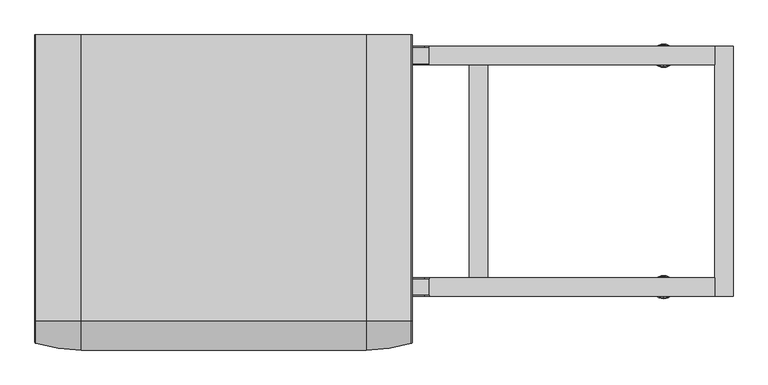
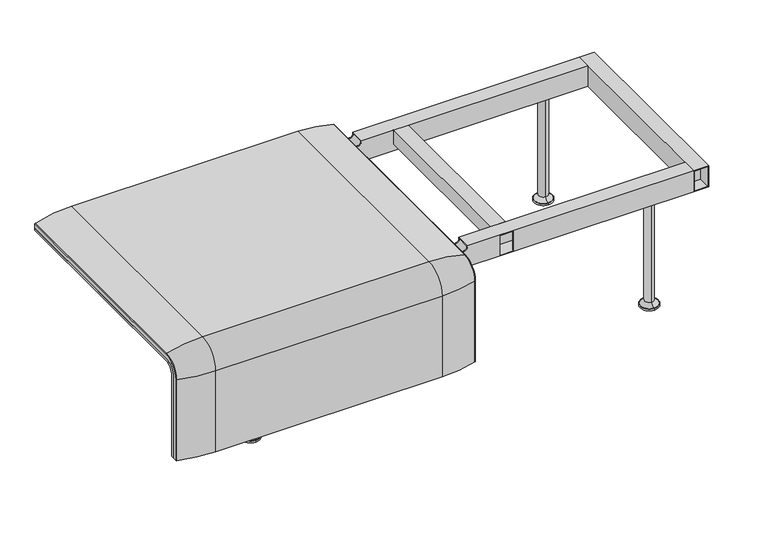
"""IFC4 building model written with IfcOpenShell, lengths in millimetres: furniture geometry."""

from ifc_helpers import new_model, si_unit, point, frame, frame_2d, origin, place, context, project, spatial, polyline, circle_curve, ellipse_curve, trimmed, segment, composite_curve, outline, extrude, source, transform, mapped, element, save
from ifc_brep_helpers import plane_surface, cylinder_surface, revolved_surface, advanced_brep


def furniture_40b37f7d(model_context):
    return source(origin(), model_context, "Body", "SolidModel", [
        advanced_brep(
        [(-815.9812488, 295.0, 359.922434), (-815.9812488, -323.7517936, 359.922434), (-815.9812488, -351.0, 332.6742277), (-815.9812488, -351.0, 100.5089435), (-815.9812488, -357.5, 100.5089435), (-815.9812488, -357.5, 333.0583003), (-815.9812488, -324.3858663, 366.172434), (-815.9812488, 295.0, 366.172434), (0.0, 295.0, 359.922434), (0.0, 295.0, 366.172434), (0.0, -324.3858663, 366.172434), (0.0, -357.5, 333.0583003), (0.0, -357.5, 100.5089435), (0.0, -351.0, 100.5089435), (0.0, -351.0, 332.6742277), (0.0, -323.7517936, 359.922434), (-781.0812488, -324.3858663, 366.172434), (-781.0812488, 260.0, 366.172434), (-34.9, 260.0, 366.172434), (-34.9, -324.3858663, 366.172434), (-781.0812488, -357.5, 333.0583003), (-34.9, -357.5, 333.0583003), (-34.9, -357.5, 135.3766997), (-781.0812488, -357.5, 135.3766997), (-781.0812488, -351.0, 332.6742277), (-781.0812488, -351.0, 135.3766997), (-34.9, -351.0, 135.3766997), (-34.9, -351.0, 332.6742277), (-781.0812488, -323.7517936, 359.922434), (-34.9, -323.7517936, 359.922434), (-34.9, 260.0, 359.922434), (-781.0812488, 260.0, 359.922434)],
        [
            (0, 1),
            (1, 2, circle_curve(frame((-815.9812488, -323.7517936, 332.6742277), z_axis=(1.0, 0.0, 0.0), x_axis=(0.0, -1.0, 0.0)), 27.2482064)),
            (2, 3),
            (3, 4),
            (4, 5),
            (5, 6, circle_curve(frame((-815.9812488, -324.3858663, 333.0583003), z_axis=(-1.0, 0.0, 0.0), x_axis=(0.0, -1.0, 0.0)), 33.1141337)),
            (6, 7),
            (7, 0),
            (8, 9),
            (9, 10),
            (10, 11, circle_curve(frame((0.0, -324.3858663, 333.0583003), z_axis=(1.0, 0.0, 0.0), x_axis=(0.0, -1.0, 0.0)), 33.1141337)),
            (11, 12),
            (12, 13),
            (13, 14),
            (14, 15, circle_curve(frame((0.0, -323.7517936, 332.6742277), z_axis=(-1.0, 0.0, 0.0), x_axis=(0.0, -1.0, 0.0)), 27.2482064)),
            (15, 8),
            (7, 9),
            (8, 0),
            (6, 16),
            (16, 17),
            (17, 18),
            (18, 19),
            (19, 10),
            (5, 20),
            (20, 16, circle_curve(frame((-781.0812488, -324.3858663, 333.0583003), z_axis=(-1.0, 0.0, 0.0), x_axis=(0.0, -1.0, 0.0)), 33.1141337)),
            (19, 21, circle_curve(frame((-34.9, -324.3858663, 333.0583003), z_axis=(1.0, 0.0, 0.0), x_axis=(0.0, -1.0, 0.0)), 33.1141337)),
            (21, 11),
            (4, 12),
            (21, 22),
            (22, 23),
            (23, 20),
            (3, 13),
            (2, 24),
            (24, 25),
            (25, 26),
            (26, 27),
            (27, 14),
            (1, 28),
            (28, 24, circle_curve(frame((-781.0812488, -323.7517936, 332.6742277), z_axis=(1.0, 0.0, 0.0), x_axis=(0.0, -1.0, 0.0)), 27.2482064)),
            (27, 29, circle_curve(frame((-34.9, -323.7517936, 332.6742277), z_axis=(-1.0, 0.0, 0.0), x_axis=(0.0, -1.0, 0.0)), 27.2482064)),
            (29, 15),
            (29, 30),
            (30, 31),
            (31, 28),
            (31, 17),
            (23, 25),
            (26, 22),
            (18, 30),
        ],
        [
            plane_surface(frame((-815.9812488, -296.9265415, 359.922434), z_axis=(-1.0, 0.0, 0.0), x_axis=(0.0, -1.0, 0.0))),
            plane_surface(frame((0.0, -296.9265415, 359.922434), z_axis=(1.0, 0.0, 0.0), x_axis=(0.0, 1.0, 0.0))),
            plane_surface(frame((-815.9812488, 295.0, 366.172434), z_axis=(0.0, 1.0, 0.0), x_axis=(1.0, 0.0, 0.0))),
            plane_surface(frame((-815.9812488, -324.3858663, 366.172434), z_axis=(0.0, 0.0, 1.0), x_axis=(1.0, 0.0, 0.0))),
            cylinder_surface(frame((0.0, -324.3858663, 333.0583003), z_axis=(-1.0, 0.0, 0.0), x_axis=(0.0, -1.0, 0.0)), 33.1141337),
            plane_surface(frame((-815.9812488, -357.5, 100.5089435), z_axis=(0.0, -1.0, 0.0), x_axis=(1.0, 0.0, 0.0))),
            plane_surface(frame((-815.9812488, -351.0, 100.5089435), z_axis=(0.0, 0.0, -1.0), x_axis=(1.0, 0.0, 0.0))),
            plane_surface(frame((-815.9812488, -351.0, 332.6742277), z_axis=(0.0, 1.0, 0.0), x_axis=(1.0, 0.0, 0.0))),
            revolved_surface(polyline([(-781.0812488, -351.0, 332.6742277), (-815.9812488, -351.0, 332.6742277)]), (0.0, -323.7517936, 332.6742277), (1.0, 0.0, 0.0)),
            revolved_surface(polyline([(0.0, -351.0, 332.6742277), (-34.9, -351.0, 332.6742277)]), (0.0, -323.7517936, 332.6742277), (1.0, 0.0, 0.0)),
            plane_surface(frame((-815.9812488, 295.0, 359.922434), z_axis=(0.0, 0.0, -1.0), x_axis=(1.0, 0.0, 0.0))),
            plane_surface(frame((-781.0812488, -296.9265415, 359.922434), z_axis=(1.0, 0.0, 0.0), x_axis=(0.0, -1.0, 0.0))),
            plane_surface(frame((-34.9, -296.9265415, 359.922434), z_axis=(-1.0, 0.0, 0.0), x_axis=(0.0, 1.0, 0.0))),
            plane_surface(frame((-781.0812488, 260.0, 366.172434), z_axis=(0.0, -1.0, 0.0), x_axis=(1.0, 0.0, 0.0))),
            plane_surface(frame((-781.0812488, -351.0, 135.3766997), z_axis=(0.0, 0.0, 1.0), x_axis=(1.0, 0.0, 0.0))),
        ],
        [
            (0, [[1, 2, 3, 4, 5, 6, 7, 8]]),
            (1, [[9, 10, 11, 12, 13, 14, 15, 16]]),
            (2, [[-8, 17, -9, 18]]),
            (3, [[-7, 19, 20, 21, 22, 23, -10, -17]]),
            (4, [[-6, 24, 25, -19]]),
            (4, [[-11, -23, 26, 27]]),
            (5, [[-5, 28, -12, -27, 29, 30, 31, -24]]),
            (6, [[-4, 32, -13, -28]]),
            (7, [[-3, 33, 34, 35, 36, 37, -14, -32]]),
            (8, [[-2, 38, 39, -33]]),
            (9, [[-15, -37, 40, 41]]),
            (10, [[-1, -18, -16, -41, 42, 43, 44, -38]]),
            (11, [[45, -20, -25, -31, 46, -34, -39, -44]]),
            (12, [[47, -29, -26, -22, 48, -42, -40, -36]]),
            (13, [[-45, -43, -48, -21]]),
            (14, [[-46, -30, -47, -35]]),
        ],
    ),
        extrude(outline(composite_curve([segment(polyline([(260.0, 359.922434), (-323.7517936, 359.922434)]), True, "CONTINUOUS"), segment(trimmed(circle_curve(frame_2d((-323.7517936, 332.6742277)), 27.2482064), [point((-323.7517936, 359.922434))], [point((-351.0, 332.6742277))], True, "CARTESIAN"), True, "CONTINUOUS"), segment(polyline([(-351.0, 332.6742277), (-351.0, 135.3766997), (-357.5, 135.3766997), (-357.5, 333.0583003)]), True, "CONTINUOUS"), segment(trimmed(circle_curve(frame_2d((-324.3858663, 333.0583003)), 33.1141337), [point((-357.5, 333.0583003))], [point((-324.3858663, 366.172434))], False, "CARTESIAN"), True, "CONTINUOUS"), segment(polyline([(-324.3858663, 366.172434), (260.0, 366.172434), (260.0, 359.922434)]), True, "CONTINUOUS")], self_intersect=False)), frame((-781.0812488, 0.0, 0.0), z_axis=(1.0, 0.0, 0.0), x_axis=(0.0, 1.0, 0.0)), (0.0, 0.0, 1.0), 746.1812488),
        advanced_brep(
        [(-815.9812488, -368.7793679, 100.5089435), (-815.9812488, -357.5, 100.5089435), (0.0, -357.5, 100.5089435), (0.0, -368.7793679, 100.5089435), (-2.1386285, -371.6530483, 100.5089435), (-100.0, -386.0043559, 100.5089435), (-715.9812488, -386.0043559, 100.5089435), (-813.8426203, -371.6530483, 100.5089435), (-815.9812488, 295.0, 377.4518019), (-813.8426203, 295.0, 380.3254823), (-715.9812488, 295.0, 394.67679), (-100.0, 295.0, 394.67679), (-2.1386285, 295.0, 380.3254823), (0.0, 295.0, 377.4518019), (0.0, 295.0, 366.172434), (-815.9812488, 295.0, 366.172434), (-815.9812488, -368.7793679, 333.0583003), (-815.9812488, -324.3858663, 377.4518019), (-815.9812488, -324.3858663, 366.172434), (-815.9812488, -357.5, 333.0583003), (0.0, -357.5, 333.0583003), (-100.0, -386.0043559, 333.0583003), (-715.9812488, -386.0043559, 333.0583003), (-813.8426203, -371.6530483, 333.0583003), (0.0, -324.3858663, 366.172434), (-715.9812488, -324.3858663, 394.67679), (-100.0, -324.3858663, 394.67679), (-813.8426203, -324.3858663, 380.3254823), (0.0, -324.3858663, 377.4518019), (0.0, -368.7793679, 333.0583003), (-2.1386285, -371.6530483, 333.0583003), (-2.1386285, -324.3858663, 380.3254823)],
        [
            (0, 1),
            (1, 2),
            (2, 3),
            (3, 4, circle_curve(frame((-3.0, -368.7793679, 100.5089435), z_axis=(0.0, 0.0, -1.0), x_axis=(-1.0, 0.0, 0.0)), 3.0)),
            (4, 5, circle_curve(frame((-100.0, -45.1710226, 100.5089435), z_axis=(0.0, 0.0, -1.0), x_axis=(0.0, 1.0, 0.0)), 340.8333333)),
            (5, 6),
            (6, 7, circle_curve(frame((-715.9812488, -45.1710226, 100.5089435), z_axis=(0.0, 0.0, -1.0), x_axis=(0.0, 1.0, 0.0)), 340.8333333)),
            (7, 0, circle_curve(frame((-812.9812488, -368.7793679, 100.5089435), z_axis=(0.0, 0.0, -1.0), x_axis=(1.0, 0.0, 0.0)), 3.0)),
            (8, 9, circle_curve(frame((-812.9812488, 295.0, 377.4518019), z_axis=(0.0, 1.0, 0.0), x_axis=(1.0, 0.0, 0.0)), 3.0)),
            (9, 10, circle_curve(frame((-715.9812488, 295.0, 53.8434566), z_axis=(0.0, 1.0, 0.0), x_axis=(0.0, 0.0, -1.0)), 340.8333333)),
            (10, 11),
            (11, 12, circle_curve(frame((-100.0, 295.0, 53.8434566), z_axis=(0.0, 1.0, 0.0), x_axis=(0.0, 0.0, -1.0)), 340.8333333)),
            (12, 13, circle_curve(frame((-3.0, 295.0, 377.4518019), z_axis=(0.0, 1.0, 0.0), x_axis=(-1.0, 0.0, 0.0)), 3.0)),
            (13, 14),
            (14, 15),
            (15, 8),
            (0, 16),
            (16, 17, circle_curve(frame((-815.9812488, -324.3858663, 333.0583003), z_axis=(-1.0, 0.0, 0.0), x_axis=(0.0, -1.0, 0.0)), 44.3935016)),
            (17, 8),
            (15, 18),
            (18, 19, circle_curve(frame((-815.9812488, -324.3858663, 333.0583003), z_axis=(1.0, 0.0, 0.0), x_axis=(0.0, -1.0, 0.0)), 33.1141337)),
            (19, 1),
            (19, 20),
            (20, 2),
            (5, 21),
            (21, 22),
            (22, 6),
            (22, 23, circle_curve(frame((-715.9812488, -45.1710226, 333.0583003), z_axis=(0.0, 0.0, -1.0), x_axis=(0.0, 1.0, 0.0)), 340.8333333)),
            (23, 7),
            (23, 16, circle_curve(frame((-812.9812488, -368.7793679, 333.0583003), z_axis=(0.0, 0.0, -1.0), x_axis=(1.0, 0.0, 0.0)), 3.0)),
            (24, 20, circle_curve(frame((0.0, -324.3858663, 333.0583003), z_axis=(1.0, 0.0, 0.0), x_axis=(0.0, -1.0, 0.0)), 33.1141337)),
            (18, 24),
            (25, 22, circle_curve(frame((-715.9812488, -324.3858663, 333.0583003), z_axis=(1.0, 0.0, 0.0), x_axis=(0.0, -1.0, 0.0)), 61.6184897)),
            (21, 26, circle_curve(frame((-100.0, -324.3858663, 333.0583003), z_axis=(-1.0, 0.0, 0.0), x_axis=(0.0, -1.0, 0.0)), 61.6184897)),
            (26, 25),
            (27, 23, circle_curve(frame((-813.8426203, -324.3858663, 333.0583003), z_axis=(1.0, 0.0, 0.0), x_axis=(0.0, -1.0, 0.0)), 47.267182)),
            (25, 27, circle_curve(frame((-715.9812488, -324.3858663, 53.8434566), z_axis=(0.0, -1.0, 0.0), x_axis=(0.0, 0.0, -1.0)), 340.8333333)),
            (27, 17, circle_curve(frame((-812.9812488, -324.3858663, 377.4518019), z_axis=(0.0, -1.0, 0.0), x_axis=(1.0, 0.0, 0.0)), 3.0)),
            (14, 24),
            (26, 11),
            (10, 25),
            (9, 27),
            (13, 28),
            (28, 29, circle_curve(frame((0.0, -324.3858663, 333.0583003), z_axis=(1.0, 0.0, 0.0), x_axis=(0.0, -1.0, 0.0)), 44.3935016)),
            (29, 3),
            (29, 30, circle_curve(frame((-3.0, -368.7793679, 333.0583003), z_axis=(0.0, 0.0, -1.0), x_axis=(-1.0, 0.0, 0.0)), 3.0)),
            (30, 4),
            (30, 21, circle_curve(frame((-100.0, -45.1710226, 333.0583003), z_axis=(0.0, 0.0, -1.0), x_axis=(0.0, 1.0, 0.0)), 340.8333333)),
            (31, 30, circle_curve(frame((-2.1386285, -324.3858663, 333.0583003), z_axis=(1.0, 0.0, 0.0), x_axis=(0.0, -1.0, 0.0)), 47.267182)),
            (28, 31, circle_curve(frame((-3.0, -324.3858663, 377.4518019), z_axis=(0.0, -1.0, 0.0), x_axis=(-1.0, 0.0, 0.0)), 3.0)),
            (31, 26, circle_curve(frame((-100.0, -324.3858663, 53.8434566), z_axis=(0.0, -1.0, 0.0), x_axis=(0.0, 0.0, -1.0)), 340.8333333)),
            (12, 31),
        ],
        [
            plane_surface(frame((-815.9812488, -357.5, 100.5089435), z_axis=(0.0, 0.0, -1.0), x_axis=(1.0, 0.0, 0.0))),
            plane_surface(frame((-815.9812488, 295.0, 366.172434), z_axis=(0.0, 1.0, 0.0), x_axis=(1.0, 0.0, 0.0))),
            plane_surface(frame((-815.9812488, -368.7793679, 100.5089435), z_axis=(-1.0, 0.0, 0.0), x_axis=(0.0, 0.0, 1.0))),
            plane_surface(frame((-815.9812488, -357.5, 100.5089435), z_axis=(0.0, 1.0, 0.0), x_axis=(0.0, 0.0, 1.0))),
            plane_surface(frame((-100.0, -386.0043559, 100.5089435), z_axis=(0.0, -1.0, 0.0), x_axis=(0.0, 0.0, 1.0))),
            cylinder_surface(frame((-715.9812488, -45.1710226, 100.5089435), z_axis=(0.0, 0.0, -1.0), x_axis=(0.0, 1.0, 0.0)), 340.8333333),
            cylinder_surface(frame((-812.9812488, -368.7793679, 100.5089435), z_axis=(0.0, 0.0, -1.0), x_axis=(1.0, 0.0, 0.0)), 3.0),
            revolved_surface(polyline([(-815.9812488, -357.5, 333.0583003), (0.0, -357.5, 333.0583003)]), (-815.9812488, -324.3858663, 333.0583003), (-1.0, 0.0, 0.0)),
            cylinder_surface(frame((-815.9812488, -324.3858663, 333.0583003), z_axis=(-1.0, 0.0, 0.0), x_axis=(0.0, -1.0, 0.0)), 61.6184897),
            revolved_surface(trimmed(ellipse_curve(frame((-715.9812488, -45.1710226, 333.0583003), z_axis=(0.0, 0.0, -1.0), x_axis=(0.0, 1.0, 0.0)), 340.8333333, 340.8333333), [point((-715.9812488, -386.0043559, 333.0583003))], [point((-813.8426203, -371.6530483, 333.0583003))], True, "CARTESIAN"), (-815.9812488, -324.3858663, 333.0583003), (-1.0, 0.0, 0.0)),
            revolved_surface(trimmed(ellipse_curve(frame((-812.9812488, -368.7793679, 333.0583003), z_axis=(0.0, 0.0, -1.0), x_axis=(1.0, 0.0, 0.0)), 3.0, 3.0), [point((-813.8426203, -371.6530483, 333.0583003))], [point((-815.9812488, -368.7793679, 333.0583003))], True, "CARTESIAN"), (-815.9812488, -324.3858663, 333.0583003), (-1.0, 0.0, 0.0)),
            plane_surface(frame((-815.9812488, -324.3858663, 366.172434), z_axis=(0.0, 0.0, -1.0), x_axis=(0.0, 1.0, 0.0))),
            plane_surface(frame((-100.0, -324.3858663, 394.67679), z_axis=(0.0, 0.0, 1.0), x_axis=(0.0, 1.0, 0.0))),
            cylinder_surface(frame((-715.9812488, -324.3858663, 53.8434566), z_axis=(0.0, -1.0, 0.0), x_axis=(0.0, 0.0, -1.0)), 340.8333333),
            cylinder_surface(frame((-812.9812488, -324.3858663, 377.4518019), z_axis=(0.0, -1.0, 0.0), x_axis=(1.0, 0.0, 0.0)), 3.0),
            plane_surface(frame((0.0, -357.5, 100.5089435), z_axis=(1.0, 0.0, 0.0), x_axis=(0.0, 0.0, 1.0))),
            cylinder_surface(frame((-3.0, -368.7793679, 100.5089435), z_axis=(0.0, 0.0, -1.0), x_axis=(-1.0, 0.0, 0.0)), 3.0),
            cylinder_surface(frame((-100.0, -45.1710226, 100.5089435), z_axis=(0.0, 0.0, -1.0), x_axis=(0.0, 1.0, 0.0)), 340.8333333),
            revolved_surface(trimmed(ellipse_curve(frame((-3.0, -368.7793679, 333.0583003), z_axis=(0.0, 0.0, -1.0), x_axis=(-1.0, 0.0, 0.0)), 3.0, 3.0), [point((0.0, -368.7793679, 333.0583003))], [point((-2.1386285, -371.6530483, 333.0583003))], True, "CARTESIAN"), (-815.9812488, -324.3858663, 333.0583003), (-1.0, 0.0, 0.0)),
            revolved_surface(trimmed(ellipse_curve(frame((-100.0, -45.1710226, 333.0583003), z_axis=(0.0, 0.0, -1.0), x_axis=(0.0, 1.0, 0.0)), 340.8333333, 340.8333333), [point((-2.1386285, -371.6530483, 333.0583003))], [point((-100.0, -386.0043559, 333.0583003))], True, "CARTESIAN"), (-815.9812488, -324.3858663, 333.0583003), (-1.0, 0.0, 0.0)),
            cylinder_surface(frame((-3.0, -324.3858663, 377.4518019), z_axis=(0.0, -1.0, 0.0), x_axis=(-1.0, 0.0, 0.0)), 3.0),
            cylinder_surface(frame((-100.0, -324.3858663, 53.8434566), z_axis=(0.0, -1.0, 0.0), x_axis=(0.0, 0.0, -1.0)), 340.8333333),
        ],
        [
            (0, [[1, 2, 3, 4, 5, 6, 7, 8]]),
            (1, [[9, 10, 11, 12, 13, 14, 15, 16]]),
            (2, [[-1, 17, 18, 19, -16, 20, 21, 22]]),
            (3, [[-2, -22, 23, 24]]),
            (4, [[-6, 25, 26, 27]]),
            (5, [[-7, -27, 28, 29]]),
            (6, [[-8, -29, 30, -17]]),
            (7, [[31, -23, -21, 32]]),
            (8, [[33, -26, 34, 35]]),
            (9, [[36, -28, -33, 37]]),
            (10, [[-18, -30, -36, 38]]),
            (11, [[-32, -20, -15, 39]]),
            (12, [[-35, 40, -11, 41]]),
            (13, [[-37, -41, -10, 42]]),
            (14, [[-38, -42, -9, -19]]),
            (15, [[-3, -24, -31, -39, -14, 43, 44, 45]]),
            (16, [[-4, -45, 46, 47]]),
            (17, [[-5, -47, 48, -25]]),
            (18, [[49, -46, -44, 50]]),
            (19, [[-34, -48, -49, 51]]),
            (20, [[-50, -43, -13, 52]]),
            (21, [[-51, -52, -12, -40]]),
        ],
    ),
        extrude(outline(polyline([(654.9772215, 236.0000008), (690.9659032, 236.0000008), (690.9659032, 232.0000015), (654.9772215, 232.0000015), (654.9772215, 236.0000008)])), frame((0.0, 0.0, 301.9086098), z_axis=(0.0, 0.0, 1.0), x_axis=(1.0, 0.0, 0.0)), (0.0, 0.0, 1.0), 56.013824),
        extrude(outline(polyline([(654.9772215, -236.0000008), (654.9772215, -232.0000015), (690.9659032, -232.0000015), (690.9659032, -236.0000008), (654.9772215, -236.0000008)])), frame((0.0, 0.0, 301.9086098), z_axis=(0.0, 0.0, 1.0), x_axis=(1.0, 0.0, 0.0)), (0.0, 0.0, 1.0), 56.013824),
        extrude(outline(polyline([(-654.9772215, -236.0000008), (-690.9659032, -236.0000008), (-690.9659032, -232.0000015), (-654.9772215, -232.0000015), (-654.9772215, -236.0000008)])), frame((0.0, 0.0, 301.9086098), z_axis=(0.0, 0.0, 1.0), x_axis=(1.0, 0.0, 0.0)), (0.0, 0.0, 1.0), 56.013824),
        extrude(outline(polyline([(-654.9772215, 236.0000008), (-654.9772215, 232.0000015), (-690.9659032, 232.0000015), (-690.9659032, 236.0000008), (-654.9772215, 236.0000008)])), frame((0.0, 0.0, 301.9086098), z_axis=(0.0, 0.0, 1.0), x_axis=(1.0, 0.0, 0.0)), (0.0, 0.0, 1.0), 56.013824),
        advanced_brep(
        [(0.0, -230.0000056, 346.6346058), (0.0, -232.0000018, 346.6346058), (25.9966488, -232.0000018, 346.6346058), (25.9966488, -230.0000056, 346.6346058), (0.0, -268.0000023, 346.6346058), (0.0, -270.0000061, 346.6346058), (25.9966488, -270.0000061, 346.6346058), (25.9966488, -268.0000023, 346.6346058), (35.9966488, -232.0000018, 356.6346058), (35.9966488, -230.0000056, 356.6346058), (35.9966488, -270.0000061, 356.6346058), (35.9966488, -268.0000023, 356.6346058), (35.9966488, -232.0000018, 357.9224338), (35.9966488, -268.0000023, 357.9224338), (35.9966488, -270.0000061, 359.922434), (35.9966488, -230.0000056, 359.922434), (-35.9966488, -232.0000018, 356.6346058), (-35.9966488, -230.0000056, 356.6346058), (-35.9966488, -230.0000056, 359.922434), (-35.9966488, -270.0000061, 359.922434), (-35.9966488, -270.0000061, 356.6346058), (-35.9966488, -268.0000023, 356.6346058), (-35.9966488, -268.0000023, 357.9224338), (-35.9966488, -232.0000018, 357.9224338), (-25.9966488, -230.0000056, 346.6346058), (-25.9966488, -232.0000018, 346.6346058), (-25.9966488, -268.0000023, 346.6346058), (-25.9966488, -270.0000061, 346.6346058), (652.9916052, -230.0000056, 359.922434), (652.9916052, -270.0000061, 359.922434), (652.9916052, -270.0000061, 299.9223263), (652.9916052, -230.0000056, 299.9223263), (652.9916052, -268.0000023, 301.9086098), (652.9916052, -268.0000023, 357.9224338), (652.9916052, -232.0000018, 357.9224338), (652.9916052, -232.0000018, 301.9086098), (-652.9916052, -230.0000056, 359.922434), (-652.9916052, -230.0000056, 299.9223263), (-652.9916052, -270.0000061, 299.9223263), (-652.9916052, -270.0000061, 359.922434), (-652.9916052, -268.0000023, 301.9086098), (-652.9916052, -232.0000018, 301.9086098), (-652.9916052, -232.0000018, 357.9224338), (-652.9916052, -268.0000023, 357.9224338), (124.9814439, -270.0000061, 357.9224338), (160.9701256, -270.0000061, 357.9224338), (160.9701256, -270.0000061, 301.9086098), (124.9814439, -270.0000061, 301.9086098), (-160.9701256, -270.0000061, 357.9224338), (-124.9814439, -270.0000061, 357.9224338), (-124.9814439, -270.0000061, 301.9086098), (-160.9701256, -270.0000061, 301.9086098), (-160.9701256, -268.0000023, 301.9086098), (-124.9814439, -268.0000023, 301.9086098), (124.9814439, -268.0000023, 301.9086098), (160.9701256, -268.0000023, 301.9086098), (160.9701256, -268.0000023, 357.9224338), (124.9814439, -268.0000023, 357.9224338), (-124.9814439, -268.0000023, 357.9224338), (-160.9701256, -268.0000023, 357.9224338)],
        [
            (0, 1),
            (1, 2),
            (2, 3),
            (3, 0),
            (4, 5),
            (5, 6),
            (6, 7),
            (7, 4),
            (2, 8, circle_curve(frame((25.9966488, -232.0000018, 356.6346058), z_axis=(0.0, -1.0, 0.0), x_axis=(-1.0, 0.0, 0.0)), 10.0)),
            (8, 9),
            (9, 3, circle_curve(frame((25.9966488, -230.0000056, 356.6346058), z_axis=(0.0, 1.0, 0.0), x_axis=(-1.0, 0.0, 0.0)), 10.0)),
            (6, 10, circle_curve(frame((25.9966488, -270.0000061, 356.6346058), z_axis=(0.0, -1.0, 0.0), x_axis=(-1.0, 0.0, 0.0)), 10.0)),
            (10, 11),
            (11, 7, circle_curve(frame((25.9966488, -268.0000023, 356.6346058), z_axis=(0.0, 1.0, 0.0), x_axis=(-1.0, 0.0, 0.0)), 10.0)),
            (8, 12),
            (12, 13),
            (13, 11),
            (10, 14),
            (14, 15),
            (15, 9),
            (16, 17),
            (17, 18),
            (18, 19),
            (19, 20),
            (20, 21),
            (21, 22),
            (22, 23),
            (23, 16),
            (0, 24),
            (24, 25),
            (25, 1),
            (4, 26),
            (26, 27),
            (27, 5),
            (28, 29),
            (29, 30),
            (30, 31),
            (31, 28),
            (32, 33),
            (33, 34),
            (34, 35),
            (35, 32),
            (36, 37),
            (37, 38),
            (38, 39),
            (39, 36),
            (40, 41),
            (41, 42),
            (42, 43),
            (43, 40),
            (31, 37),
            (36, 18),
            (17, 24, circle_curve(frame((-25.9966488, -230.0000056, 356.6346058), z_axis=(0.0, -1.0, 0.0), x_axis=(1.0, 0.0, 0.0)), 10.0)),
            (15, 28),
            (30, 38),
            (29, 14),
            (27, 20, circle_curve(frame((-25.9966488, -270.0000061, 356.6346058), z_axis=(0.0, 1.0, 0.0), x_axis=(1.0, 0.0, 0.0)), 10.0)),
            (19, 39),
            (44, 45),
            (45, 46),
            (46, 47),
            (47, 44),
            (48, 49),
            (49, 50),
            (50, 51),
            (51, 48),
            (35, 41),
            (40, 52),
            (52, 51),
            (50, 53),
            (53, 54),
            (54, 47),
            (46, 55),
            (55, 32),
            (34, 12),
            (25, 16, circle_curve(frame((-25.9966488, -232.0000018, 356.6346058), z_axis=(0.0, 1.0, 0.0), x_axis=(1.0, 0.0, 0.0)), 10.0)),
            (23, 42),
            (33, 56),
            (56, 45),
            (44, 57),
            (57, 13),
            (22, 58),
            (58, 49),
            (48, 59),
            (59, 43),
            (55, 56),
            (59, 52),
            (57, 54),
            (53, 58),
            (21, 26, circle_curve(frame((-25.9966488, -268.0000023, 356.6346058), z_axis=(0.0, -1.0, 0.0), x_axis=(1.0, 0.0, 0.0)), 10.0)),
        ],
        [
            plane_surface(frame((0.0, -287.5262628, 346.6346058), z_axis=(0.0, 0.0, 1.0), x_axis=(0.0, 1.0, 0.0))),
            revolved_surface(polyline([(15.9966488, -232.0000018, 356.6346058), (15.9966488, -230.00000560000007, 356.6346058)]), (25.9966488, 314.3107458, 356.6346058), (0.0, -1.0, 0.0)),
            revolved_surface(polyline([(15.9966488, -270.0000061, 356.6346058), (15.9966488, -268.00000229999995, 356.6346058)]), (25.9966488, 314.3107458, 356.6346058), (0.0, -1.0, 0.0)),
            plane_surface(frame((35.9966488, -287.5262628, 356.6346058), z_axis=(-1.0, 0.0, 0.0), x_axis=(0.0, 1.0, 0.0))),
            plane_surface(frame((-35.9966488, -287.5262628, 378.869628), z_axis=(1.0, 0.0, 0.0), x_axis=(0.0, 1.0, 0.0))),
            plane_surface(frame((-25.9966488, -287.5262628, 346.6346058), z_axis=(0.0, 0.0, 1.0), x_axis=(0.0, 1.0, 0.0))),
            plane_surface(frame((652.9916052, -270.0000061, 359.922434), z_axis=(1.0, 0.0, 0.0), x_axis=(0.0, -1.0, 0.0))),
            plane_surface(frame((-652.9916052, -270.0000061, 359.922434), z_axis=(-1.0, 0.0, 0.0), x_axis=(0.0, 1.0, 0.0))),
            plane_surface(frame((652.9916052, -230.0000056, 299.9223263), z_axis=(0.0, 1.0, 0.0), x_axis=(-1.0, 0.0, 0.0))),
            plane_surface(frame((652.9916052, -270.0000061, 299.9223263), z_axis=(0.0, 0.0, -1.0), x_axis=(-1.0, 0.0, 0.0))),
            plane_surface(frame((652.9916052, -270.0000061, 359.922434), z_axis=(0.0, -1.0, 0.0), x_axis=(-1.0, 0.0, 0.0))),
            plane_surface(frame((652.9916052, -230.0000056, 359.922434), z_axis=(0.0, 0.0, 1.0), x_axis=(-1.0, 0.0, 0.0))),
            plane_surface(frame((652.9916052, -232.0000018, 301.9086098), z_axis=(0.0, 0.0, 1.0), x_axis=(-1.0, 0.0, 0.0))),
            plane_surface(frame((652.9916052, -232.0000018, 357.9224338), z_axis=(0.0, -1.0, 0.0), x_axis=(-1.0, 0.0, 0.0))),
            plane_surface(frame((652.9916052, -268.0000023, 357.9224338), z_axis=(0.0, 0.0, -1.0), x_axis=(-1.0, 0.0, 0.0))),
            plane_surface(frame((652.9916052, -268.0000023, 301.9086098), z_axis=(0.0, 1.0, 0.0), x_axis=(-1.0, 0.0, 0.0))),
            plane_surface(frame((160.9701256, -282.4008656, 301.9086098), z_axis=(-1.0, 0.0, 0.0), x_axis=(0.0, 1.0, 0.0))),
            plane_surface(frame((124.9814439, -282.4008656, 357.9224338), z_axis=(1.0, 0.0, 0.0), x_axis=(0.0, 1.0, 0.0))),
            plane_surface(frame((-160.9701256, -282.4008656, 357.9224338), z_axis=(1.0, 0.0, 0.0), x_axis=(0.0, 1.0, 0.0))),
            plane_surface(frame((-124.9814439, -282.4008656, 301.9086098), z_axis=(-1.0, 0.0, 0.0), x_axis=(0.0, 1.0, 0.0))),
            revolved_surface(polyline([(-15.9966488, -232.0000018, 356.6346058), (-15.9966488, -230.00000560000007, 356.6346058)]), (-25.9966488, 314.3107458, 356.6346058), (0.0, -1.0, 0.0)),
            revolved_surface(polyline([(-15.9966488, -270.0000061, 356.6346058), (-15.9966488, -268.00000229999995, 356.6346058)]), (-25.9966488, 314.3107458, 356.6346058), (0.0, -1.0, 0.0)),
        ],
        [
            (0, [[1, 2, 3, 4]]),
            (0, [[5, 6, 7, 8]]),
            (1, [[-3, 9, 10, 11]]),
            (2, [[-7, 12, 13, 14]]),
            (3, [[-10, 15, 16, 17, -13, 18, 19, 20]]),
            (4, [[21, 22, 23, 24, 25, 26, 27, 28]]),
            (5, [[-1, 29, 30, 31]]),
            (5, [[-5, 32, 33, 34]]),
            (6, [[35, 36, 37, 38], [39, 40, 41, 42]]),
            (7, [[43, 44, 45, 46], [47, 48, 49, 50]]),
            (8, [[-38, 51, -43, 52, -22, 53, -29, -4, -11, -20, 54]]),
            (9, [[-37, 55, -44, -51]]),
            (10, [[-36, 56, -18, -12, -6, -34, 57, -24, 58, -45, -55], [59, 60, 61, 62], [63, 64, 65, 66]]),
            (11, [[-35, -54, -19, -56]]),
            (11, [[-46, -58, -23, -52]]),
            (12, [[-42, 67, -47, 68, 69, -65, 70, 71, 72, -61, 73, 74]]),
            (13, [[-41, 75, -15, -9, -2, -31, 76, -28, 77, -48, -67]]),
            (14, [[-40, 78, 79, -59, 80, 81, -16, -75]]),
            (14, [[-49, -77, -27, 82, 83, -63, 84, 85]]),
            (15, [[-39, -74, 86, -78]]),
            (15, [[-50, -85, 87, -68]]),
            (15, [[-8, -14, -17, -81, 88, -71, 89, -82, -26, 90, -32]]),
            (16, [[-79, -86, -73, -60]]),
            (17, [[-72, -88, -80, -62]]),
            (18, [[-84, -66, -69, -87]]),
            (19, [[-83, -89, -70, -64]]),
            (20, [[-30, -53, -21, -76]]),
            (21, [[-33, -90, -25, -57]]),
        ],
    ),
        advanced_brep(
        [(652.9916052, 230.0000056, 359.922434), (652.9916052, 230.0000056, 299.9223263), (652.9916052, 270.0000061, 299.9223263), (652.9916052, 270.0000061, 359.922434), (652.9916052, 268.0000023, 301.9086098), (652.9916052, 232.0000018, 301.9086098), (652.9916052, 232.0000018, 357.9224338), (652.9916052, 268.0000023, 357.9224338), (-652.9916052, 230.0000056, 359.922434), (-652.9916052, 270.0000061, 359.922434), (-652.9916052, 270.0000061, 299.9223263), (-652.9916052, 230.0000056, 299.9223263), (-652.9916052, 268.0000023, 301.9086098), (-652.9916052, 268.0000023, 357.9224338), (-652.9916052, 232.0000018, 357.9224338), (-652.9916052, 232.0000018, 301.9086098), (35.9966488, 230.0000056, 359.922434), (35.9966488, 230.0000056, 356.6346058), (25.9966488, 230.0000056, 346.6346058), (0.0, 230.0000056, 346.6346058), (-25.9966488, 230.0000056, 346.6346058), (-35.9966488, 230.0000056, 356.6346058), (-35.9966488, 230.0000056, 359.922434), (-35.9966488, 270.0000061, 359.922434), (-35.9966488, 270.0000061, 356.6346058), (-25.9966488, 270.0000061, 346.6346058), (0.0, 270.0000061, 346.6346058), (25.9966488, 270.0000061, 346.6346058), (35.9966488, 270.0000061, 356.6346058), (35.9966488, 270.0000061, 359.922434), (-124.9814439, 270.0000061, 357.9224338), (-160.9701256, 270.0000061, 357.9224338), (-160.9701256, 270.0000061, 301.9086098), (-124.9814439, 270.0000061, 301.9086098), (160.9701256, 270.0000061, 357.9224338), (124.9814439, 270.0000061, 357.9224338), (124.9814439, 270.0000061, 301.9086098), (160.9701256, 270.0000061, 301.9086098), (0.0, 232.0000018, 346.6346058), (25.9966488, 232.0000018, 346.6346058), (0.0, 268.0000023, 346.6346058), (25.9966488, 268.0000023, 346.6346058), (35.9966488, 232.0000018, 356.6346058), (35.9966488, 268.0000023, 356.6346058), (35.9966488, 268.0000023, 357.9224338), (35.9966488, 232.0000018, 357.9224338), (-35.9966488, 232.0000018, 356.6346058), (-35.9966488, 232.0000018, 357.9224338), (-35.9966488, 268.0000023, 357.9224338), (-35.9966488, 268.0000023, 356.6346058), (-25.9966488, 232.0000018, 346.6346058), (-25.9966488, 268.0000023, 346.6346058), (160.9701256, 268.0000023, 301.9086098), (124.9814439, 268.0000023, 301.9086098), (-124.9814439, 268.0000023, 301.9086098), (-160.9701256, 268.0000023, 301.9086098), (124.9814439, 268.0000023, 357.9224338), (160.9701256, 268.0000023, 357.9224338), (-160.9701256, 268.0000023, 357.9224338), (-124.9814439, 268.0000023, 357.9224338)],
        [
            (0, 1),
            (1, 2),
            (2, 3),
            (3, 0),
            (4, 5),
            (5, 6),
            (6, 7),
            (7, 4),
            (8, 9),
            (9, 10),
            (10, 11),
            (11, 8),
            (12, 13),
            (13, 14),
            (14, 15),
            (15, 12),
            (0, 16),
            (16, 17),
            (17, 18, circle_curve(frame((25.9966488, 230.0000056, 356.6346058), z_axis=(0.0, 1.0, 0.0), x_axis=(-1.0, 0.0, 0.0)), 10.0)),
            (18, 19),
            (19, 20),
            (20, 21, circle_curve(frame((-25.9966488, 230.0000056, 356.6346058), z_axis=(0.0, 1.0, 0.0), x_axis=(1.0, 0.0, 0.0)), 10.0)),
            (21, 22),
            (22, 8),
            (11, 1),
            (10, 2),
            (9, 23),
            (23, 24),
            (24, 25, circle_curve(frame((-25.9966488, 270.0000061, 356.6346058), z_axis=(0.0, -1.0, 0.0), x_axis=(1.0, 0.0, 0.0)), 10.0)),
            (25, 26),
            (26, 27),
            (27, 28, circle_curve(frame((25.9966488, 270.0000061, 356.6346058), z_axis=(0.0, -1.0, 0.0), x_axis=(-1.0, 0.0, 0.0)), 10.0)),
            (28, 29),
            (29, 3),
            (30, 31),
            (31, 32),
            (32, 33),
            (33, 30),
            (34, 35),
            (35, 36),
            (36, 37),
            (37, 34),
            (29, 16),
            (22, 23),
            (38, 19),
            (18, 39),
            (39, 38),
            (26, 40),
            (40, 41),
            (41, 27),
            (17, 42),
            (42, 39, circle_curve(frame((25.9966488, 232.0000018, 356.6346058), z_axis=(0.0, 1.0, 0.0), x_axis=(-1.0, 0.0, 0.0)), 10.0)),
            (41, 43, circle_curve(frame((25.9966488, 268.0000023, 356.6346058), z_axis=(0.0, -1.0, 0.0), x_axis=(-1.0, 0.0, 0.0)), 10.0)),
            (43, 28),
            (43, 44),
            (44, 45),
            (45, 42),
            (21, 46),
            (46, 47),
            (47, 48),
            (48, 49),
            (49, 24),
            (38, 50),
            (50, 20),
            (25, 51),
            (51, 40),
            (4, 52),
            (52, 37),
            (36, 53),
            (53, 54),
            (54, 33),
            (32, 55),
            (55, 12),
            (15, 5),
            (14, 47),
            (46, 50, circle_curve(frame((-25.9966488, 232.0000018, 356.6346058), z_axis=(0.0, -1.0, 0.0), x_axis=(1.0, 0.0, 0.0)), 10.0)),
            (45, 6),
            (44, 56),
            (56, 35),
            (34, 57),
            (57, 7),
            (13, 58),
            (58, 31),
            (30, 59),
            (59, 48),
            (57, 52),
            (55, 58),
            (51, 49, circle_curve(frame((-25.9966488, 268.0000023, 356.6346058), z_axis=(0.0, 1.0, 0.0), x_axis=(1.0, 0.0, 0.0)), 10.0)),
            (59, 54),
            (53, 56),
        ],
        [
            plane_surface(frame((652.9916052, 230.0000056, 319.6891771), z_axis=(1.0, 0.0, 0.0), x_axis=(0.0, 0.0, -1.0))),
            plane_surface(frame((-652.9916052, 230.0000056, 319.6891771), z_axis=(-1.0, 0.0, 0.0), x_axis=(0.0, 0.0, 1.0))),
            plane_surface(frame((652.9916052, 230.0000056, 359.922434), z_axis=(0.0, -1.0, 0.0), x_axis=(-1.0, 0.0, 0.0))),
            plane_surface(frame((652.9916052, 230.0000056, 299.9223263), z_axis=(0.0, 0.0, -1.0), x_axis=(-1.0, 0.0, 0.0))),
            plane_surface(frame((652.9916052, 270.0000061, 299.9223263), z_axis=(0.0, 1.0, 0.0), x_axis=(-1.0, 0.0, 0.0))),
            plane_surface(frame((652.9916052, 270.0000061, 359.922434), z_axis=(0.0, 0.0, 1.0), x_axis=(-1.0, 0.0, 0.0))),
            plane_surface(frame((0.0, -287.5262628, 346.6346058), z_axis=(0.0, 0.0, 1.0), x_axis=(0.0, 1.0, 0.0))),
            revolved_surface(polyline([(15.9966488, 230.0000056, 356.6346058), (15.9966488, 232.0000018, 356.6346058)]), (25.9966488, 314.3107458, 356.6346058), (0.0, -1.0, 0.0)),
            revolved_surface(polyline([(15.9966488, 268.0000023, 356.6346058), (15.9966488, 270.0000061, 356.6346058)]), (25.9966488, 314.3107458, 356.6346058), (0.0, -1.0, 0.0)),
            plane_surface(frame((35.9966488, -287.5262628, 356.6346058), z_axis=(-1.0, 0.0, 0.0), x_axis=(0.0, 1.0, 0.0))),
            plane_surface(frame((-35.9966488, -287.5262628, 378.869628), z_axis=(1.0, 0.0, 0.0), x_axis=(0.0, 1.0, 0.0))),
            plane_surface(frame((-25.9966488, -287.5262628, 346.6346058), z_axis=(0.0, 0.0, 1.0), x_axis=(0.0, 1.0, 0.0))),
            plane_surface(frame((652.9916052, 268.0000023, 301.9086098), z_axis=(0.0, 0.0, 1.0), x_axis=(-1.0, 0.0, 0.0))),
            plane_surface(frame((652.9916052, 232.0000018, 301.9086098), z_axis=(0.0, 1.0, 0.0), x_axis=(-1.0, 0.0, 0.0))),
            plane_surface(frame((652.9916052, 232.0000018, 357.9224338), z_axis=(0.0, 0.0, -1.0), x_axis=(-1.0, 0.0, 0.0))),
            plane_surface(frame((652.9916052, 268.0000023, 357.9224338), z_axis=(0.0, -1.0, 0.0), x_axis=(-1.0, 0.0, 0.0))),
            plane_surface(frame((-160.9701256, 282.4008656, 301.9086098), z_axis=(1.0, 0.0, 0.0), x_axis=(0.0, -1.0, 0.0))),
            plane_surface(frame((-124.9814439, 282.4008656, 357.9224338), z_axis=(-1.0, 0.0, 0.0), x_axis=(0.0, -1.0, 0.0))),
            plane_surface(frame((160.9701256, 282.4008656, 357.9224338), z_axis=(-1.0, 0.0, 0.0), x_axis=(0.0, -1.0, 0.0))),
            plane_surface(frame((124.9814439, 282.4008656, 301.9086098), z_axis=(1.0, 0.0, 0.0), x_axis=(0.0, -1.0, 0.0))),
            revolved_surface(polyline([(-15.9966488, 230.0000056, 356.6346058), (-15.9966488, 232.0000018, 356.6346058)]), (-25.9966488, 314.3107458, 356.6346058), (0.0, -1.0, 0.0)),
            revolved_surface(polyline([(-15.9966488, 268.0000023, 356.6346058), (-15.9966488, 270.0000061, 356.6346058)]), (-25.9966488, 314.3107458, 356.6346058), (0.0, -1.0, 0.0)),
        ],
        [
            (0, [[1, 2, 3, 4], [5, 6, 7, 8]]),
            (1, [[9, 10, 11, 12], [13, 14, 15, 16]]),
            (2, [[-1, 17, 18, 19, 20, 21, 22, 23, 24, -12, 25]]),
            (3, [[-2, -25, -11, 26]]),
            (4, [[-3, -26, -10, 27, 28, 29, 30, 31, 32, 33, 34], [35, 36, 37, 38], [39, 40, 41, 42]]),
            (5, [[-4, -34, 43, -17]]),
            (5, [[-9, -24, 44, -27]]),
            (6, [[45, -20, 46, 47]]),
            (6, [[48, 49, 50, -31]]),
            (7, [[-46, -19, 51, 52]]),
            (8, [[-50, 53, 54, -32]]),
            (9, [[-51, -18, -43, -33, -54, 55, 56, 57]]),
            (10, [[58, 59, 60, 61, 62, -28, -44, -23]]),
            (11, [[-45, 63, 64, -21]]),
            (11, [[-48, -30, 65, 66]]),
            (12, [[-5, 67, 68, -41, 69, 70, 71, -37, 72, 73, -16, 74]]),
            (13, [[-6, -74, -15, 75, -59, 76, -63, -47, -52, -57, 77]]),
            (14, [[-7, -77, -56, 78, 79, -39, 80, 81]]),
            (14, [[-14, 82, 83, -35, 84, 85, -60, -75]]),
            (15, [[-8, -81, 86, -67]]),
            (15, [[-13, -73, 87, -82]]),
            (15, [[-49, -66, 88, -61, -85, 89, -70, 90, -78, -55, -53]]),
            (16, [[-83, -87, -72, -36]]),
            (17, [[-71, -89, -84, -38]]),
            (18, [[-80, -42, -68, -86]]),
            (19, [[-79, -90, -69, -40]]),
            (20, [[-64, -76, -58, -22]]),
            (21, [[-65, -29, -62, -88]]),
        ],
    ),
        extrude(outline(polyline([(359.922434, 652.9916052), (299.9223263, 652.9916052), (299.9223263, 692.9854212), (359.922434, 692.9854212), (359.922434, 652.9916052)]), holes=[polyline([(301.9086098, 690.9659032), (301.9086098, 654.9772215), (357.9224338, 654.9772215), (357.9224338, 690.9659032), (301.9086098, 690.9659032)])]), frame((0.0, -269.9999939, 0.0), z_axis=(0.0, 1.0, 0.0), x_axis=(0.0, 0.0, 1.0)), (0.0, 0.0, 1.0), 540.0),
        extrude(outline(polyline([(359.922434, 122.9958276), (319.6891771, 122.9958276), (319.6891771, 162.9896436), (359.922434, 162.9896436), (359.922434, 122.9958276)]), holes=[polyline([(321.6754606, 160.9701256), (321.6754606, 124.9814439), (357.9224338, 124.9814439), (357.9224338, 160.9701256), (321.6754606, 160.9701256)])]), frame((0.0, -229.9999925, 0.0), z_axis=(0.0, 1.0, 0.0), x_axis=(0.0, 0.0, 1.0)), (0.0, 0.0, 1.0), 459.9999981),
        extrude(outline(polyline([(359.922434, -122.9958276), (359.922434, -162.9896436), (319.6891771, -162.9896436), (319.6891771, -122.9958276), (359.922434, -122.9958276)]), holes=[polyline([(321.6754606, -160.9701256), (357.9224338, -160.9701256), (357.9224338, -124.9814439), (321.6754606, -124.9814439), (321.6754606, -160.9701256)])]), frame((0.0, -229.9999925, 0.0), z_axis=(0.0, 1.0, 0.0), x_axis=(0.0, 0.0, 1.0)), (0.0, 0.0, 1.0), 459.9999981),
        extrude(outline(polyline([(359.922434, -652.9916052), (359.922434, -692.9854212), (299.9223263, -692.9854212), (299.9223263, -652.9916052), (359.922434, -652.9916052)]), holes=[polyline([(301.9086098, -690.9659032), (357.9224338, -690.9659032), (357.9224338, -654.9772215), (301.9086098, -654.9772215), (301.9086098, -690.9659032)])]), frame((0.0, -269.9999939, 0.0), z_axis=(0.0, 1.0, 0.0), x_axis=(0.0, 0.0, 1.0)), (0.0, 0.0, 1.0), 540.0),
        advanced_brep(
        [(542.9813638, 275.0000031, 0.0), (542.9813638, 225.0000031, 0.0), (542.9813638, 250.0000031, 0.0), (542.9813638, 250.0000031, 344.8637637), (542.9813638, 237.5284391, 344.8637637), (542.9813638, 262.4715672, 344.8637637), (542.9813638, 237.5284391, 16.2604994), (542.9813638, 262.4715672, 16.2604994), (542.9813638, 226.770535, 5.5025953), (542.9813638, 273.2294713, 5.5025953), (542.9813638, 225.0000031, 5.5025953), (542.9813638, 275.0000031, 5.5025953)],
        [
            (0, 1, circle_curve(frame((542.9813638, 250.0000031, 0.0), z_axis=(0.0, 0.0, -1.0), x_axis=(0.0, -1.0, 0.0)), 25.0)),
            (1, 2),
            (2, 0),
            (1, 0, circle_curve(frame((542.9813638, 250.0000031, 0.0), z_axis=(0.0, 0.0, -1.0), x_axis=(0.0, -1.0, 0.0)), 25.0)),
            (3, 4),
            (4, 5, circle_curve(frame((542.9813638, 250.0000031, 344.8637637), z_axis=(0.0, 0.0, 1.0), x_axis=(0.0, -1.0, 0.0)), 12.471564)),
            (5, 3),
            (5, 4, circle_curve(frame((542.9813638, 250.0000031, 344.8637637), z_axis=(0.0, 0.0, 1.0), x_axis=(0.0, -1.0, 0.0)), 12.471564)),
            (4, 6),
            (6, 7, circle_curve(frame((542.9813638, 250.0000031, 16.2604994), z_axis=(0.0, 0.0, 1.0), x_axis=(0.0, -1.0, 0.0)), 12.471564)),
            (7, 5),
            (7, 6, circle_curve(frame((542.9813638, 250.0000031, 16.2604994), z_axis=(0.0, 0.0, 1.0), x_axis=(0.0, -1.0, 0.0)), 12.471564)),
            (6, 8, circle_curve(frame((542.9813638, 226.770535, 16.2604994), z_axis=(-1.0, 0.0, 0.0), x_axis=(0.0, -1.0, 0.0)), 10.7579041)),
            (8, 9, circle_curve(frame((542.9813638, 250.0000031, 5.5025953), z_axis=(0.0, 0.0, 1.0), x_axis=(0.0, -1.0, 0.0)), 23.2294681)),
            (9, 7, circle_curve(frame((542.9813638, 273.2294713, 16.2604994), z_axis=(-1.0, 0.0, 0.0), x_axis=(0.0, 1.0, 0.0)), 10.7579041)),
            (9, 8, circle_curve(frame((542.9813638, 250.0000031, 5.5025953), z_axis=(0.0, 0.0, 1.0), x_axis=(0.0, -1.0, 0.0)), 23.2294681)),
            (8, 10),
            (10, 11, circle_curve(frame((542.9813638, 250.0000031, 5.5025953), z_axis=(0.0, 0.0, 1.0), x_axis=(0.0, -1.0, 0.0)), 25.0)),
            (11, 9),
            (11, 10, circle_curve(frame((542.9813638, 250.0000031, 5.5025953), z_axis=(0.0, 0.0, 1.0), x_axis=(0.0, -1.0, 0.0)), 25.0)),
            (10, 1),
            (0, 11),
        ],
        [
            plane_surface(frame((542.9813638, 250.0000031, 0.0), z_axis=(0.0, 0.0, -1.0), x_axis=(0.0, -1.0, 0.0))),
            plane_surface(frame((542.9813638, 250.0000031, 344.8637637), z_axis=(0.0, 0.0, 1.0), x_axis=(0.0, -1.0, 0.0))),
            cylinder_surface(frame((542.9813638, 250.0000031, 344.8637637), z_axis=(0.0, 0.0, 1.0), x_axis=(0.0, -1.0, 0.0)), 12.471564),
            revolved_surface(trimmed(ellipse_curve(frame((542.9813638, 226.770535, 16.2604994), z_axis=(1.0, 0.0, 0.0), x_axis=(0.0, -1.0, 0.0)), 10.7579041, 10.7579041), [point((542.9813638, 226.770535, 5.5025953))], [point((542.9813638, 237.5284391, 16.2604994))], True, "CARTESIAN"), (542.9813638, 250.0000031, 344.8637637), (0.0, 0.0, 1.0)),
            plane_surface(frame((542.9813638, 250.0000031, 5.5025953), z_axis=(0.0, 0.0, 1.0), x_axis=(0.0, -1.0, 0.0))),
            cylinder_surface(frame((542.9813638, 250.0000031, 344.8637637), z_axis=(0.0, 0.0, 1.0), x_axis=(0.0, -1.0, 0.0)), 25.0),
        ],
        [
            (0, [[1, 2, 3]]),
            (0, [[4, -3, -2]]),
            (1, [[5, 6, 7]]),
            (1, [[-7, 8, -5]]),
            (2, [[-6, 9, 10, 11]]),
            (2, [[-8, -11, 12, -9]]),
            (3, [[-10, 13, 14, 15]]),
            (3, [[-12, -15, 16, -13]]),
            (4, [[-14, 17, 18, 19]]),
            (4, [[-16, -19, 20, -17]]),
            (5, [[-18, 21, -1, 22]]),
            (5, [[-20, -22, -4, -21]]),
        ],
    ),
        advanced_brep(
        [(542.9813638, -250.0000031, 0.0), (542.9813638, -225.0000031, 0.0), (542.9813638, -275.0000031, 0.0), (542.9813638, -262.4715672, 344.8637637), (542.9813638, -237.5284391, 344.8637637), (542.9813638, -250.0000031, 344.8637637), (542.9813638, -262.4715672, 16.2604994), (542.9813638, -237.5284391, 16.2604994), (542.9813638, -273.2294713, 5.5025953), (542.9813638, -226.770535, 5.5025953), (542.9813638, -275.0000031, 5.5025953), (542.9813638, -225.0000031, 5.5025953)],
        [
            (0, 1),
            (1, 2, circle_curve(frame((542.9813638, -250.0000031, 0.0), z_axis=(0.0, 0.0, -1.0), x_axis=(0.0, 1.0, 0.0)), 25.0)),
            (2, 0),
            (2, 1, circle_curve(frame((542.9813638, -250.0000031, 0.0), z_axis=(0.0, 0.0, -1.0), x_axis=(0.0, 1.0, 0.0)), 25.0)),
            (3, 4, circle_curve(frame((542.9813638, -250.0000031, 344.8637637), z_axis=(0.0, 0.0, 1.0), x_axis=(0.0, 1.0, 0.0)), 12.471564)),
            (4, 5),
            (5, 3),
            (4, 3, circle_curve(frame((542.9813638, -250.0000031, 344.8637637), z_axis=(0.0, 0.0, 1.0), x_axis=(0.0, 1.0, 0.0)), 12.471564)),
            (6, 7, circle_curve(frame((542.9813638, -250.0000031, 16.2604994), z_axis=(0.0, 0.0, 1.0), x_axis=(0.0, 1.0, 0.0)), 12.471564)),
            (7, 4),
            (3, 6),
            (7, 6, circle_curve(frame((542.9813638, -250.0000031, 16.2604994), z_axis=(0.0, 0.0, 1.0), x_axis=(0.0, 1.0, 0.0)), 12.471564)),
            (8, 9, circle_curve(frame((542.9813638, -250.0000031, 5.5025953), z_axis=(0.0, 0.0, 1.0), x_axis=(0.0, 1.0, 0.0)), 23.2294681)),
            (9, 7, circle_curve(frame((542.9813638, -226.770535, 16.2604994), z_axis=(-1.0, 0.0, 0.0), x_axis=(0.0, 1.0, 0.0)), 10.7579041)),
            (6, 8, circle_curve(frame((542.9813638, -273.2294713, 16.2604994), z_axis=(-1.0, 0.0, 0.0), x_axis=(0.0, -1.0, 0.0)), 10.7579041)),
            (9, 8, circle_curve(frame((542.9813638, -250.0000031, 5.5025953), z_axis=(0.0, 0.0, 1.0), x_axis=(0.0, 1.0, 0.0)), 23.2294681)),
            (10, 11, circle_curve(frame((542.9813638, -250.0000031, 5.5025953), z_axis=(0.0, 0.0, 1.0), x_axis=(0.0, 1.0, 0.0)), 25.0)),
            (11, 9),
            (8, 10),
            (11, 10, circle_curve(frame((542.9813638, -250.0000031, 5.5025953), z_axis=(0.0, 0.0, 1.0), x_axis=(0.0, 1.0, 0.0)), 25.0)),
            (1, 11),
            (10, 2),
        ],
        [
            plane_surface(frame((542.9813638, -250.0000031, 0.0), z_axis=(0.0, 0.0, -1.0), x_axis=(0.0, 1.0, 0.0))),
            plane_surface(frame((542.9813638, -250.0000031, 344.8637637), z_axis=(0.0, 0.0, 1.0), x_axis=(0.0, 1.0, 0.0))),
            cylinder_surface(frame((542.9813638, -250.0000031, 344.8637637), z_axis=(0.0, 0.0, -1.0), x_axis=(0.0, 1.0, 0.0)), 12.471564),
            revolved_surface(trimmed(ellipse_curve(frame((542.9813638, -226.770535, 16.2604994), z_axis=(1.0, 0.0, 0.0), x_axis=(0.0, 1.0, 0.0)), 10.7579041, 10.7579041), [point((542.9813638, -237.5284391, 16.2604994))], [point((542.9813638, -226.770535, 5.5025953))], True, "CARTESIAN"), (542.9813638, -250.0000031, 344.8637637), (0.0, 0.0, -1.0)),
            plane_surface(frame((542.9813638, -250.0000031, 5.5025953), z_axis=(0.0, 0.0, 1.0), x_axis=(0.0, 1.0, 0.0))),
            cylinder_surface(frame((542.9813638, -250.0000031, 344.8637637), z_axis=(0.0, 0.0, -1.0), x_axis=(0.0, 1.0, 0.0)), 25.0),
        ],
        [
            (0, [[1, 2, 3]]),
            (0, [[-3, 4, -1]]),
            (1, [[5, 6, 7]]),
            (1, [[8, -7, -6]]),
            (2, [[9, 10, -5, 11]]),
            (2, [[12, -11, -8, -10]]),
            (3, [[13, 14, -9, 15]]),
            (3, [[16, -15, -12, -14]]),
            (4, [[17, 18, -13, 19]]),
            (4, [[20, -19, -16, -18]]),
            (5, [[-2, 21, -17, 22]]),
            (5, [[-4, -22, -20, -21]]),
        ],
    ),
        advanced_brep(
        [(-542.9813638, -275.0000031, 0.0), (-542.9813638, -225.0000031, 0.0), (-542.9813638, -250.0000031, 0.0), (-542.9813638, -250.0000031, 344.8637637), (-542.9813638, -237.5284391, 344.8637637), (-542.9813638, -262.4715672, 344.8637637), (-542.9813638, -237.5284391, 16.2604994), (-542.9813638, -262.4715672, 16.2604994), (-542.9813638, -226.770535, 5.5025953), (-542.9813638, -273.2294713, 5.5025953), (-542.9813638, -225.0000031, 5.5025953), (-542.9813638, -275.0000031, 5.5025953)],
        [
            (0, 1, circle_curve(frame((-542.9813638, -250.0000031, 0.0), z_axis=(0.0, 0.0, -1.0), x_axis=(0.0, 1.0, 0.0)), 25.0)),
            (1, 2),
            (2, 0),
            (1, 0, circle_curve(frame((-542.9813638, -250.0000031, 0.0), z_axis=(0.0, 0.0, -1.0), x_axis=(0.0, 1.0, 0.0)), 25.0)),
            (3, 4),
            (4, 5, circle_curve(frame((-542.9813638, -250.0000031, 344.8637637), z_axis=(0.0, 0.0, 1.0), x_axis=(0.0, 1.0, 0.0)), 12.471564)),
            (5, 3),
            (5, 4, circle_curve(frame((-542.9813638, -250.0000031, 344.8637637), z_axis=(0.0, 0.0, 1.0), x_axis=(0.0, 1.0, 0.0)), 12.471564)),
            (4, 6),
            (6, 7, circle_curve(frame((-542.9813638, -250.0000031, 16.2604994), z_axis=(0.0, 0.0, 1.0), x_axis=(0.0, 1.0, 0.0)), 12.471564)),
            (7, 5),
            (7, 6, circle_curve(frame((-542.9813638, -250.0000031, 16.2604994), z_axis=(0.0, 0.0, 1.0), x_axis=(0.0, 1.0, 0.0)), 12.471564)),
            (6, 8, circle_curve(frame((-542.9813638, -226.770535, 16.2604994), z_axis=(1.0, 0.0, 0.0), x_axis=(0.0, 1.0, 0.0)), 10.7579041)),
            (8, 9, circle_curve(frame((-542.9813638, -250.0000031, 5.5025953), z_axis=(0.0, 0.0, 1.0), x_axis=(0.0, 1.0, 0.0)), 23.2294681)),
            (9, 7, circle_curve(frame((-542.9813638, -273.2294713, 16.2604994), z_axis=(1.0, 0.0, 0.0), x_axis=(0.0, -1.0, 0.0)), 10.7579041)),
            (9, 8, circle_curve(frame((-542.9813638, -250.0000031, 5.5025953), z_axis=(0.0, 0.0, 1.0), x_axis=(0.0, 1.0, 0.0)), 23.2294681)),
            (8, 10),
            (10, 11, circle_curve(frame((-542.9813638, -250.0000031, 5.5025953), z_axis=(0.0, 0.0, 1.0), x_axis=(0.0, 1.0, 0.0)), 25.0)),
            (11, 9),
            (11, 10, circle_curve(frame((-542.9813638, -250.0000031, 5.5025953), z_axis=(0.0, 0.0, 1.0), x_axis=(0.0, 1.0, 0.0)), 25.0)),
            (10, 1),
            (0, 11),
        ],
        [
            plane_surface(frame((-542.9813638, -250.0000031, 0.0), z_axis=(0.0, 0.0, -1.0), x_axis=(0.0, 1.0, 0.0))),
            plane_surface(frame((-542.9813638, -250.0000031, 344.8637637), z_axis=(0.0, 0.0, 1.0), x_axis=(0.0, 1.0, 0.0))),
            cylinder_surface(frame((-542.9813638, -250.0000031, 344.8637637), z_axis=(0.0, 0.0, 1.0), x_axis=(0.0, 1.0, 0.0)), 12.471564),
            revolved_surface(trimmed(ellipse_curve(frame((-542.9813638, -226.770535, 16.2604994), z_axis=(-1.0, 0.0, 0.0), x_axis=(0.0, 1.0, 0.0)), 10.7579041, 10.7579041), [point((-542.9813638, -226.770535, 5.5025953))], [point((-542.9813638, -237.5284391, 16.2604994))], True, "CARTESIAN"), (-542.9813638, -250.0000031, 344.8637637), (0.0, 0.0, 1.0)),
            plane_surface(frame((-542.9813638, -250.0000031, 5.5025953), z_axis=(0.0, 0.0, 1.0), x_axis=(0.0, 1.0, 0.0))),
            cylinder_surface(frame((-542.9813638, -250.0000031, 344.8637637), z_axis=(0.0, 0.0, 1.0), x_axis=(0.0, 1.0, 0.0)), 25.0),
        ],
        [
            (0, [[1, 2, 3]]),
            (0, [[4, -3, -2]]),
            (1, [[5, 6, 7]]),
            (1, [[-7, 8, -5]]),
            (2, [[-6, 9, 10, 11]]),
            (2, [[-8, -11, 12, -9]]),
            (3, [[-10, 13, 14, 15]]),
            (3, [[-12, -15, 16, -13]]),
            (4, [[-14, 17, 18, 19]]),
            (4, [[-16, -19, 20, -17]]),
            (5, [[-18, 21, -1, 22]]),
            (5, [[-20, -22, -4, -21]]),
        ],
    ),
    ])


if __name__ == "__main__":
    model = new_model("IFC4")
    model_context = context("Model", 3, world=origin())
    ifc_project = project(units=[si_unit("LENGTHUNIT", "METRE", prefix="MILLI")], contexts=[model_context])
    site = spatial("IfcSite", under=ifc_project)
    building = spatial("IfcBuilding", under=site)
    placement = place(None, origin())
    furniture_shape = furniture_40b37f7d(model_context)
    element("IfcFurniture", 1, at=placement, inside=building, context=model_context, shape_type="MappedRepresentation", body=[
        mapped(furniture_shape, transform((0.0, 0.0, 0.0), x_axis=(1.0, 0.0, 0.0), y_axis=(0.0, 1.0, 0.0), z_axis=(0.0, 0.0, 1.0))),
    ])
    save(model, "model.ifc")
